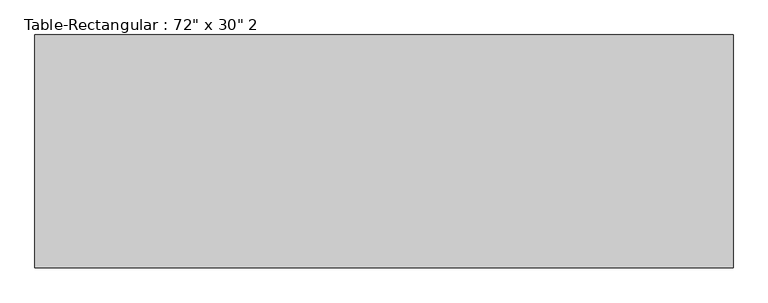
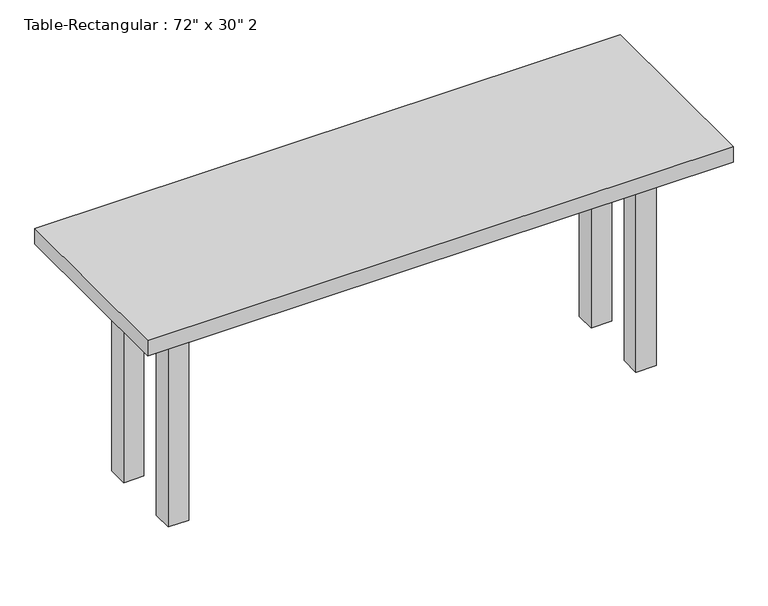
"""IFC4 building model written with IfcOpenShell, lengths in millimetres: furniture geometry."""

from ifc_helpers import new_model, si_unit, frame, origin, origin_with_axes, place, context, project, spatial, polyline, outline, extrude, source, transform, mapped, element, save


def furniture_681123a4(model_context):
    return source(origin(), model_context, "Body", "SweptSolid", [
        extrude(outline(polyline([(698.5, 114.3), (698.5, 88.9), (-698.5, 88.9), (-698.5, 114.3), (698.5, 114.3)])), frame((0.0, 0.0, 609.6), z_axis=(0.0, 0.0, 1.0), x_axis=(1.0, 0.0, 0.0)), (0.0, 0.0, 1.0), 101.6),
        extrude(outline(polyline([(698.5, -114.3), (-698.5, -114.3), (-698.5, -88.9), (698.5, -88.9), (698.5, -114.3)])), frame((0.0, 0.0, 609.6), z_axis=(0.0, 0.0, 1.0), x_axis=(1.0, 0.0, 0.0)), (0.0, 0.0, 1.0), 101.6),
        extrude(outline(polyline([(-711.2, -88.9), (-736.6, -88.9), (-736.6, 88.9), (-711.2, 88.9), (-711.2, -88.9)])), frame((0.0, 0.0, 609.6), z_axis=(0.0, 0.0, 1.0), x_axis=(1.0, 0.0, 0.0)), (0.0, 0.0, 1.0), 101.6),
        extrude(outline(polyline([(711.2, -88.9), (711.2, 88.9), (736.6, 88.9), (736.6, -88.9), (711.2, -88.9)])), frame((0.0, 0.0, 609.6), z_axis=(0.0, 0.0, 1.0), x_axis=(1.0, 0.0, 0.0)), (0.0, 0.0, 1.0), 101.6),
        extrude(outline(polyline([(914.4, 304.8), (914.4, -304.8), (-914.4, -304.8), (-914.4, 304.8), (914.4, 304.8)])), frame((0.0, 0.0, 711.2), z_axis=(0.0, 0.0, 1.0), x_axis=(1.0, 0.0, 0.0)), (0.0, 0.0, 1.0), 50.8),
        extrude(outline(polyline([(-698.5, 152.4), (-698.5, 88.9), (-762.0, 88.9), (-762.0, 152.4), (-698.5, 152.4)])), origin_with_axes(), (0.0, 0.0, 1.0), 711.2),
        extrude(outline(polyline([(698.5, 152.4), (762.0, 152.4), (762.0, 88.9), (698.5, 88.9), (698.5, 152.4)])), origin_with_axes(), (0.0, 0.0, 1.0), 711.2),
        extrude(outline(polyline([(-698.5, -152.4), (-762.0, -152.4), (-762.0, -88.9), (-698.5, -88.9), (-698.5, -152.4)])), origin_with_axes(), (0.0, 0.0, 1.0), 711.2),
        extrude(outline(polyline([(698.5, -152.4), (698.5, -88.9), (762.0, -88.9), (762.0, -152.4), (698.5, -152.4)])), origin_with_axes(), (0.0, 0.0, 1.0), 711.2),
    ])


if __name__ == "__main__":
    model = new_model("IFC4")
    model_context = context("Model", 3, world=origin())
    ifc_project = project(units=[si_unit("LENGTHUNIT", "METRE", prefix="MILLI")], contexts=[model_context])
    site = spatial("IfcSite", under=ifc_project)
    building = spatial("IfcBuilding", under=site)
    placement = place(None, origin())
    furniture_shape = furniture_681123a4(model_context)
    element("IfcFurniture", 1, ObjectType="Table-Rectangular : 72\" x 30\" 2", at=placement, inside=building, context=model_context, shape_type="MappedRepresentation", body=[
        mapped(furniture_shape, transform((0.0, 0.0, 0.0), x_axis=(1.0, 0.0, 0.0), y_axis=(0.0, 1.0, 0.0), z_axis=(0.0, 0.0, 1.0))),
    ])
    save(model, "model.ifc")
